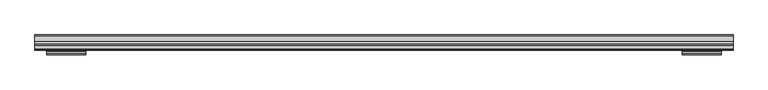
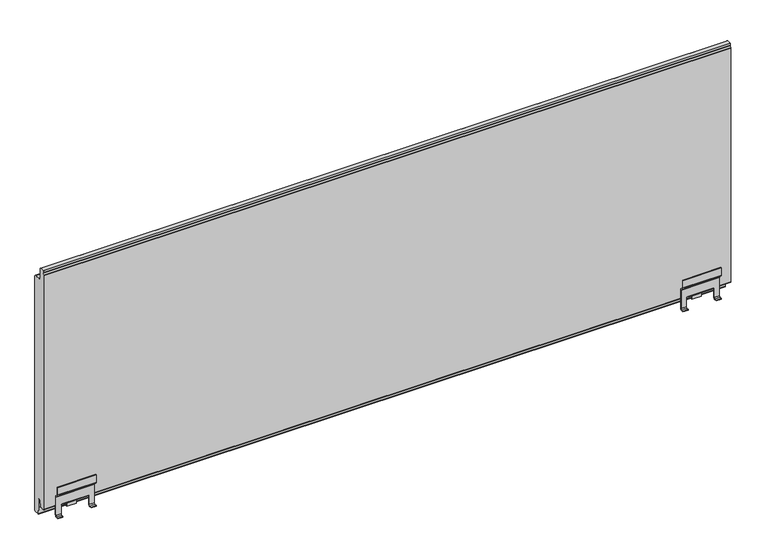
"""IFC4 building model written with IfcOpenShell, lengths in millimetres: plate geometry."""

from ifc_helpers import new_model, si_unit, point, frame, frame_2d, origin, place, context, project, spatial, polyline, circle_curve, trimmed, segment, composite_curve, outline, extrude, source, transform, mapped, element, save
from ifc_brep_helpers import plane_surface, cylinder_surface, revolved_surface, advanced_brep


def plate_dd24737f(model_context):
    return source(origin(), model_context, "Body", "SolidModel", [
        advanced_brep(
        [(649.0, 133.5713953, 63.0766942), (649.0, 132.0713953, 63.0766942), (649.0, 132.0713953, 48.0751213), (649.0, 133.0965215, 45.6002476), (649.0, 137.9856088, 40.7111603), (649.0, 138.5713953, 39.2969467), (649.0, 138.5713953, 1.7954343), (649.0, 136.5713953, -0.2045657), (649.0, 132.0714005, -0.2045657), (649.0, 132.0714005, -1.7045657), (649.0, 136.5713953, -1.7045657), (649.0, 140.0713953, 1.7954343), (649.0, 140.0713953, 39.2969467), (649.0, 139.046269, 41.7718205), (649.0, 134.1571817, 46.6609078), (649.0, 133.5713953, 48.0751213), (573.9999948, 133.5713953, 63.0766942), (573.9999948, 133.5713953, 48.0751213), (573.9999948, 134.1571817, 46.6609078), (573.9999948, 139.046269, 41.7718205), (573.9999948, 140.0713953, 39.2969467), (573.9999948, 140.0713953, 1.7954343), (573.9999948, 136.5713953, -1.7045657), (573.9999948, 132.0714005, -1.7045657), (573.9999948, 132.0714005, -0.2045657), (573.9999948, 136.5713953, -0.2045657), (573.9999948, 138.5713953, 1.7954343), (573.9999948, 138.5713953, 39.2969467), (573.9999948, 137.9856088, 40.7111603), (573.9999948, 133.0965215, 45.6002476), (573.9999948, 132.0713953, 48.0751213), (573.9999948, 132.0713953, 63.0766942), (583.9999948, 138.5713953, 1.7954343), (583.9999948, 138.5713953, 21.4949549), (585.4999948, 138.5713953, 21.4949549), (637.4999948, 138.5713953, 21.5), (638.9999948, 138.5713953, 21.4949549), (638.9999948, 138.5713953, 1.7954343), (638.9999948, 136.5713953, -0.2045657), (583.9999948, 136.5713953, -0.2045657), (638.9999948, 132.0714005, -0.2045657), (583.9999948, 132.0714005, -0.2045657), (638.9999948, 132.0714005, -1.7045657), (583.9999948, 132.0714005, -1.7045657), (638.9999948, 136.5713953, -1.7045657), (583.9999948, 136.5713953, -1.7045657), (638.9999948, 140.0713953, 1.7954343), (583.9999948, 140.0713953, 1.7954343), (638.9999948, 140.0713953, 21.4949549), (637.4999948, 140.0713953, 21.4949549), (585.4999948, 140.0713953, 21.5), (583.9999948, 140.0713953, 21.4949549), (637.4999948, 142.0713953, 19.5), (637.4999948, 140.0450794, 18.6462229), (637.4999948, 142.0713952, 18.0), (637.4999948, 150.578346, 18.0), (637.4999948, 152.3250869, 18.4670317), (637.4999948, 154.0666457, 21.1949549), (637.4999948, 155.3220849, 31.8238549), (637.4999948, 153.8331567, 32.0), (637.4999948, 152.5652325, 21.2653996), (637.4999948, 150.5790395, 19.5), (585.4999948, 142.0713953, 19.5), (585.4999948, 150.5790395, 19.5), (585.4999948, 152.5652325, 21.2653996), (585.4999948, 153.8331567, 32.0), (585.4999948, 155.3220849, 31.8238549), (585.4999948, 154.0666457, 21.1949549), (585.4999948, 152.3250869, 18.4670317), (585.4999948, 150.578346, 18.0), (585.4999948, 148.02155, 18.0), (585.4999948, 142.0713952, 18.0), (585.4999948, 140.0713953, 18.6277187), (601.9999948, 150.578346, 18.0), (620.9999948, 150.578346, 18.0), (601.9999948, 152.3250869, 18.4670317), (620.9999948, 152.3250869, 18.4670317), (620.9999948, 151.2714005, 3.0), (601.9999948, 151.2714005, 3.0), (620.9999948, 152.7679506, 2.8983251), (601.9999948, 152.7679506, 2.8983251), (620.9999948, 154.0666457, 21.1949549), (601.9999948, 154.0666457, 21.1949549), (601.9999948, 155.3220849, 31.8238549), (620.9999948, 155.3220849, 31.8238549)],
        [
            (0, 1),
            (1, 2),
            (2, 3, circle_curve(frame((649.0, 135.5713953, 48.0751213), z_axis=(1.0, 0.0, 0.0), x_axis=(0.0, 1.0, 0.0)), 3.5)),
            (3, 4),
            (4, 5, circle_curve(frame((649.0, 136.5713953, 39.2969467), z_axis=(-1.0, 0.0, 0.0), x_axis=(0.0, 1.0, 0.0)), 2.0)),
            (5, 6),
            (6, 7, circle_curve(frame((649.0, 136.5713953, 1.7954343), z_axis=(-1.0, 0.0, 0.0), x_axis=(0.0, 1.0, 0.0)), 2.0)),
            (7, 8),
            (8, 9),
            (9, 10),
            (10, 11, circle_curve(frame((649.0, 136.5713953, 1.7954343), z_axis=(1.0, 0.0, 0.0), x_axis=(0.0, 1.0, 0.0)), 3.5)),
            (11, 12),
            (12, 13, circle_curve(frame((649.0, 136.5713953, 39.2969467), z_axis=(1.0, 0.0, 0.0), x_axis=(0.0, 1.0, 0.0)), 3.5)),
            (13, 14),
            (14, 15, circle_curve(frame((649.0, 135.5713953, 48.0751213), z_axis=(-1.0, 0.0, 0.0), x_axis=(0.0, 1.0, 0.0)), 2.0)),
            (15, 0),
            (16, 17),
            (17, 18, circle_curve(frame((573.9999948, 135.5713953, 48.0751213), z_axis=(1.0, 0.0, 0.0), x_axis=(0.0, 1.0, 0.0)), 2.0)),
            (18, 19),
            (19, 20, circle_curve(frame((573.9999948, 136.5713953, 39.2969467), z_axis=(-1.0, 0.0, 0.0), x_axis=(0.0, 1.0, 0.0)), 3.5)),
            (20, 21),
            (21, 22, circle_curve(frame((573.9999948, 136.5713953, 1.7954343), z_axis=(-1.0, 0.0, 0.0), x_axis=(0.0, 1.0, 0.0)), 3.5)),
            (22, 23),
            (23, 24),
            (24, 25),
            (25, 26, circle_curve(frame((573.9999948, 136.5713953, 1.7954343), z_axis=(1.0, 0.0, 0.0), x_axis=(0.0, 1.0, 0.0)), 2.0)),
            (26, 27),
            (27, 28, circle_curve(frame((573.9999948, 136.5713953, 39.2969467), z_axis=(1.0, 0.0, 0.0), x_axis=(0.0, 1.0, 0.0)), 2.0)),
            (28, 29),
            (29, 30, circle_curve(frame((573.9999948, 135.5713953, 48.0751213), z_axis=(-1.0, 0.0, 0.0), x_axis=(0.0, 1.0, 0.0)), 3.5)),
            (30, 31),
            (31, 16),
            (0, 16),
            (31, 1),
            (30, 2),
            (29, 3),
            (28, 4),
            (27, 5),
            (26, 32),
            (32, 33),
            (33, 34),
            (34, 35),
            (35, 36),
            (36, 37),
            (37, 6),
            (37, 38, circle_curve(frame((638.9999948, 136.5713953, 1.7954343), z_axis=(-1.0, 0.0, 0.0), x_axis=(0.0, 1.0, 0.0)), 2.0)),
            (38, 7),
            (25, 39),
            (39, 32, circle_curve(frame((583.9999948, 136.5713953, 1.7954343), z_axis=(1.0, 0.0, 0.0), x_axis=(0.0, 1.0, 0.0)), 2.0)),
            (38, 40),
            (40, 8),
            (24, 41),
            (41, 39),
            (40, 42),
            (42, 9),
            (23, 43),
            (43, 41),
            (42, 44),
            (44, 10),
            (22, 45),
            (45, 43),
            (44, 46, circle_curve(frame((638.9999948, 136.5713953, 1.7954343), z_axis=(1.0, 0.0, 0.0), x_axis=(0.0, 1.0, 0.0)), 3.5)),
            (46, 11),
            (21, 47),
            (47, 45, circle_curve(frame((583.9999948, 136.5713953, 1.7954343), z_axis=(-1.0, 0.0, 0.0), x_axis=(0.0, 1.0, 0.0)), 3.5)),
            (46, 48),
            (48, 49),
            (49, 50),
            (50, 51),
            (51, 47),
            (20, 12),
            (19, 13),
            (18, 14),
            (17, 15),
            (36, 48),
            (51, 33),
            (35, 49),
            (50, 34),
            (52, 49, circle_curve(frame((637.4999948, 142.0713953, 21.5), z_axis=(-1.0, 0.0, 0.0), x_axis=(0.0, 1.0, 0.0)), 2.0)),
            (35, 53, circle_curve(frame((637.4999948, 142.0713953, 21.5), z_axis=(1.0, 0.0, 0.0), x_axis=(0.0, 1.0, 0.0)), 3.5)),
            (53, 54, circle_curve(frame((637.4999948, 142.0713952, 21.5), z_axis=(1.0, 0.0, 0.0), x_axis=(0.0, 1.0, 0.0)), 3.5)),
            (54, 55),
            (55, 56, circle_curve(frame((637.4999948, 150.578346, 21.5), z_axis=(1.0, 0.0, 0.0), x_axis=(0.0, 1.0, 0.0)), 3.5)),
            (56, 57, circle_curve(frame((637.4999948, 150.5735903, 21.5051049), z_axis=(1.0, 0.0, 0.0), x_axis=(0.0, 1.0, 0.0)), 3.5067975)),
            (57, 58),
            (58, 59),
            (59, 60),
            (60, 61, circle_curve(frame((637.4999948, 150.5790395, 21.5), z_axis=(-1.0, 0.0, 0.0), x_axis=(0.0, 1.0, 0.0)), 2.0)),
            (61, 52),
            (62, 63),
            (63, 64, circle_curve(frame((585.4999948, 150.5790395, 21.5), z_axis=(1.0, 0.0, 0.0), x_axis=(0.0, 1.0, 0.0)), 2.0)),
            (64, 65),
            (65, 66),
            (66, 67),
            (67, 68, circle_curve(frame((585.4999948, 150.5735903, 21.5051049), z_axis=(-1.0, 0.0, 0.0), x_axis=(0.0, 1.0, 0.0)), 3.5067975)),
            (68, 69, circle_curve(frame((585.4999948, 150.578346, 21.5), z_axis=(-1.0, 0.0, 0.0), x_axis=(0.0, 1.0, 0.0)), 3.5)),
            (69, 70),
            (70, 71),
            (71, 72, circle_curve(frame((585.4999948, 142.0713952, 21.5), z_axis=(-1.0, 0.0, 0.0), x_axis=(0.0, 1.0, 0.0)), 3.5)),
            (72, 34, circle_curve(frame((585.4999948, 142.0713953, 21.5), z_axis=(-1.0, 0.0, 0.0), x_axis=(0.0, 1.0, 0.0)), 3.5)),
            (50, 62, circle_curve(frame((585.4999948, 142.0713953, 21.5), z_axis=(1.0, 0.0, 0.0), x_axis=(0.0, 1.0, 0.0)), 2.0)),
            (52, 62),
            (72, 53),
            (71, 54),
            (69, 73),
            (73, 74),
            (74, 55),
            (68, 75),
            (75, 76),
            (76, 56),
            (77, 76),
            (75, 78),
            (78, 77),
            (79, 77),
            (78, 80),
            (80, 79),
            (81, 79),
            (80, 82),
            (82, 81),
            (57, 81),
            (82, 67),
            (66, 83),
            (83, 84),
            (84, 58),
            (65, 59),
            (64, 60),
            (63, 61),
            (81, 76, circle_curve(frame((620.9999948, 150.5735903, 21.5051049), z_axis=(-1.0, 0.0, 0.0), x_axis=(0.0, 1.0, 0.0)), 3.5067975)),
            (75, 82, circle_curve(frame((601.9999948, 150.5735903, 21.5051049), z_axis=(1.0, 0.0, 0.0), x_axis=(0.0, 1.0, 0.0)), 3.5067975)),
        ],
        [
            plane_surface(frame((649.0, 132.0713953, 63.7908685), z_axis=(1.0, 0.0, 0.0), x_axis=(0.0, 1.0, 0.0))),
            plane_surface(frame((573.9999948, 132.0713953, 63.7908685), z_axis=(-1.0, 0.0, 0.0), x_axis=(0.0, 1.0, 0.0))),
            plane_surface(frame((649.0, 133.5713953, 63.0766942), z_axis=(0.0, 0.0, 1.0), x_axis=(-1.0, 0.0, 0.0))),
            plane_surface(frame((649.0, 132.0713953, 63.0766942), z_axis=(0.0, -1.0, 0.0), x_axis=(-1.0, 0.0, 0.0))),
            cylinder_surface(frame((649.0, 135.5713953, 48.0751213), z_axis=(1.0, 0.0, 0.0), x_axis=(0.0, 1.0, 0.0)), 3.5),
            plane_surface(frame((649.0, 133.0965215, 45.6002476), z_axis=(0.0, -0.7071067811823375, -0.7071067811907575), x_axis=(-1.0, 0.0, 0.0))),
            revolved_surface(polyline([(573.9999948, 138.5713953, 39.2969467), (649.0, 138.5713953, 39.2969467)]), (649.0, 136.5713953, 39.2969467), (-1.0, 0.0, 0.0)),
            plane_surface(frame((649.0, 138.5713953, 39.2969467), z_axis=(0.0, -1.0, 0.0), x_axis=(-1.0, 0.0, 0.0))),
            revolved_surface(polyline([(638.9999948, 138.5713953, 1.7954343), (649.0, 138.5713953, 1.7954343)]), (649.0, 136.5713953, 1.7954343), (-1.0, 0.0, 0.0)),
            revolved_surface(polyline([(573.9999948, 138.5713953, 1.7954343), (583.9999948, 138.5713953, 1.7954343)]), (649.0, 136.5713953, 1.7954343), (-1.0, 0.0, 0.0)),
            plane_surface(frame((649.0, 136.5713953, -0.2045657), z_axis=(0.0, 0.0, 1.0), x_axis=(-1.0, 0.0, 0.0))),
            plane_surface(frame((649.0, 132.0714005, -0.2045657), z_axis=(0.0, -1.0, 0.0), x_axis=(-1.0, 0.0, 0.0))),
            plane_surface(frame((649.0, 132.0714005, -1.7045657), z_axis=(0.0, 0.0, -1.0), x_axis=(-1.0, 0.0, 0.0))),
            cylinder_surface(frame((649.0, 136.5713953, 1.7954343), z_axis=(1.0, 0.0, 0.0), x_axis=(0.0, 1.0, 0.0)), 3.5),
            plane_surface(frame((649.0, 140.0713953, 1.7954343), z_axis=(0.0, 1.0, 0.0), x_axis=(-1.0, 0.0, 0.0))),
            cylinder_surface(frame((649.0, 136.5713953, 39.2969467), z_axis=(1.0, 0.0, 0.0), x_axis=(0.0, 1.0, 0.0)), 3.5),
            plane_surface(frame((649.0, 139.046269, 41.7718205), z_axis=(0.0, 0.707106781190757, 0.707106781182338), x_axis=(-1.0, 0.0, 0.0))),
            revolved_surface(polyline([(573.9999948, 137.5713953, 48.0751213), (649.0, 137.5713953, 48.0751213)]), (649.0, 135.5713953, 48.0751213), (-1.0, 0.0, 0.0)),
            plane_surface(frame((649.0, 133.5713953, 48.0751213), z_axis=(0.0, 1.0, 0.0), x_axis=(-1.0, 0.0, 0.0))),
            plane_surface(frame((638.9999948, 140.0713953, 21.4949549), z_axis=(-1.0, 0.0, 0.0), x_axis=(0.0, -1.0, 0.0))),
            plane_surface(frame((583.9999948, 140.0713953, -2.7091315), z_axis=(1.0, 0.0, 0.0), x_axis=(0.0, -1.0, 0.0))),
            plane_surface(frame((583.9999948, 140.0713953, 21.4949549), z_axis=(0.0, 0.0, -1.0), x_axis=(0.0, -1.0, 0.0))),
            plane_surface(frame((637.4999948, 132.0713953, 32.4954343), z_axis=(1.0, 0.0, 0.0), x_axis=(0.0, 1.0, 0.0))),
            plane_surface(frame((585.4999948, 132.0713953, 32.4954343), z_axis=(-1.0, 0.0, 0.0), x_axis=(0.0, 1.0, 0.0))),
            revolved_surface(polyline([(585.4999948, 144.0713953, 21.5), (637.4999948, 144.0713953, 21.5)]), (637.4999948, 142.0713953, 21.5), (-1.0, 0.0, 0.0)),
            cylinder_surface(frame((637.4999948, 142.0713953, 21.5), z_axis=(1.0, 0.0, 0.0), x_axis=(0.0, 1.0, 0.0)), 3.5),
            cylinder_surface(frame((637.4999948, 142.0713952, 21.5), z_axis=(1.0, 0.0, 0.0), x_axis=(0.0, 1.0, 0.0)), 3.5),
            plane_surface(frame((637.4999948, 142.0713952, 18.0), z_axis=(0.0, 0.0, -1.0), x_axis=(-1.0, 0.0, 0.0))),
            cylinder_surface(frame((637.4999948, 150.578346, 21.5), z_axis=(1.0, 0.0, 0.0), x_axis=(0.0, 1.0, 0.0)), 3.5),
            plane_surface(frame((637.4999948, 152.3250869, 18.4670317), z_axis=(0.0, -0.9976875606869263, 0.06796713360566971), x_axis=(-1.0, 0.0, 0.0))),
            plane_surface(frame((637.4999948, 151.2714005, 3.0), z_axis=(0.0, -0.06778329456574599, -0.9977000676444867), x_axis=(-1.0, 0.0, 0.0))),
            plane_surface(frame((637.4999948, 152.7679506, 2.8983251), z_axis=(0.0, 0.9974903975436773, -0.07080188421332127), x_axis=(-1.0, 0.0, 0.0))),
            plane_surface(frame((637.4999948, 154.5718662, 25.4722938), z_axis=(0.0, 0.9930964999268389, -0.11730022094208546), x_axis=(-1.0, 0.0, 0.0))),
            plane_surface(frame((637.4999948, 155.3220849, 31.8238549), z_axis=(0.0, 0.11748400802588121, 0.9930747745553579), x_axis=(-1.0, 0.0, 0.0))),
            plane_surface(frame((637.4999948, 153.8331567, 32.0), z_axis=(0.0, -0.9930964999255651, 0.1173002209528698), x_axis=(-1.0, 0.0, 0.0))),
            revolved_surface(polyline([(585.4999948, 152.5790395, 21.5), (637.4999948, 152.5790395, 21.5)]), (637.4999948, 150.5790395, 21.5), (-1.0, 0.0, 0.0)),
            plane_surface(frame((637.4999948, 150.5790395, 19.5), z_axis=(0.0, 0.0, 1.0), x_axis=(-1.0, 0.0, 0.0))),
            plane_surface(frame((620.9999948, 154.0803878, 21.5051049), z_axis=(1.0, 0.0, 0.0), x_axis=(0.0, 0.0, 1.0))),
            cylinder_surface(frame((637.4999948, 150.5735903, 21.5051049), z_axis=(1.0, 0.0, 0.0), x_axis=(0.0, 1.0, 0.0)), 3.5067975),
            plane_surface(frame((601.9999948, 154.0803878, 21.5051049), z_axis=(-1.0, 0.0, 0.0), x_axis=(0.0, 0.0, -1.0))),
            cylinder_surface(frame((601.9999948, 150.5735903, 21.5051049), z_axis=(1.0, 0.0, 0.0), x_axis=(0.0, 1.0, 0.0)), 3.5067975),
        ],
        [
            (0, [[1, 2, 3, 4, 5, 6, 7, 8, 9, 10, 11, 12, 13, 14, 15, 16]]),
            (1, [[17, 18, 19, 20, 21, 22, 23, 24, 25, 26, 27, 28, 29, 30, 31, 32]]),
            (2, [[-1, 33, -32, 34]]),
            (3, [[-2, -34, -31, 35]]),
            (4, [[-3, -35, -30, 36]]),
            (5, [[-4, -36, -29, 37]]),
            (6, [[-5, -37, -28, 38]]),
            (7, [[-6, -38, -27, 39, 40, 41, 42, 43, 44, 45]]),
            (8, [[-7, -45, 46, 47]]),
            (9, [[-26, 48, 49, -39]]),
            (10, [[-8, -47, 50, 51]]),
            (10, [[-25, 52, 53, -48]]),
            (11, [[-9, -51, 54, 55]]),
            (11, [[-24, 56, 57, -52]]),
            (12, [[-10, -55, 58, 59]]),
            (12, [[-23, 60, 61, -56]]),
            (13, [[-11, -59, 62, 63]]),
            (13, [[-22, 64, 65, -60]]),
            (14, [[-12, -63, 66, 67, 68, 69, 70, -64, -21, 71]]),
            (15, [[-13, -71, -20, 72]]),
            (16, [[-14, -72, -19, 73]]),
            (17, [[-15, -73, -18, 74]]),
            (18, [[-16, -74, -17, -33]]),
            (19, [[75, -66, -62, -58, -54, -50, -46, -44]]),
            (20, [[76, -40, -49, -53, -57, -61, -65, -70]]),
            (21, [[-75, -43, 77, -67]]),
            (21, [[-76, -69, 78, -41]]),
            (22, [[79, -77, 80, 81, 82, 83, 84, 85, 86, 87, 88, 89]]),
            (23, [[90, 91, 92, 93, 94, 95, 96, 97, 98, 99, 100, -78, 101]]),
            (24, [[-79, 102, -101, -68]]),
            (25, [[-80, -42, -100, 103]]),
            (26, [[-81, -103, -99, 104]]),
            (27, [[-82, -104, -98, -97, 105, 106, 107]]),
            (28, [[-83, -107, -106, -105, -96, 108, 109, 110]]),
            (29, [[111, -109, 112, 113]]),
            (30, [[114, -113, 115, 116]]),
            (31, [[117, -116, 118, 119]]),
            (32, [[-85, 120, -119, 121, -94, 122, 123, 124]]),
            (33, [[-86, -124, -123, -122, -93, 125]]),
            (34, [[-87, -125, -92, 126]]),
            (35, [[-88, -126, -91, 127]]),
            (36, [[-89, -127, -90, -102]]),
            (37, [[128, -111, -114, -117]]),
            (38, [[-128, -120, -84, -110]]),
            (39, [[129, -118, -115, -112]]),
            (40, [[-129, -108, -95, -121]]),
        ],
    ),
        advanced_brep(
        [(-649.0, 133.5713953, 63.0766942), (-649.0, 133.5713953, 48.0751213), (-649.0, 134.1571817, 46.6609078), (-649.0, 139.046269, 41.7718205), (-649.0, 140.0713953, 39.2969467), (-649.0, 140.0713953, 1.7954343), (-649.0, 136.5713953, -1.7045657), (-649.0, 132.0714005, -1.7045657), (-649.0, 132.0714005, -0.2045657), (-649.0, 136.5713953, -0.2045657), (-649.0, 138.5713953, 1.7954343), (-649.0, 138.5713953, 39.2969467), (-649.0, 137.9856088, 40.7111603), (-649.0, 133.0965215, 45.6002476), (-649.0, 132.0713953, 48.0751213), (-649.0, 132.0713953, 63.0766942), (-573.9999948, 133.5713953, 63.0766942), (-573.9999948, 132.0713953, 63.0766942), (-573.9999948, 132.0713953, 48.0751213), (-573.9999948, 133.0965215, 45.6002476), (-573.9999948, 137.9856088, 40.7111603), (-573.9999948, 138.5713953, 39.2969467), (-573.9999948, 138.5713953, 1.7954343), (-573.9999948, 136.5713953, -0.2045657), (-573.9999948, 132.0714005, -0.2045657), (-573.9999948, 132.0714005, -1.7045657), (-573.9999948, 136.5713953, -1.7045657), (-573.9999948, 140.0713953, 1.7954343), (-573.9999948, 140.0713953, 39.2969467), (-573.9999948, 139.046269, 41.7718205), (-573.9999948, 134.1571817, 46.6609078), (-573.9999948, 133.5713953, 48.0751213), (-638.9999948, 138.5713953, 1.7954343), (-638.9999948, 138.5713953, 21.4949549), (-637.4999948, 138.5713953, 21.4949549), (-585.4999948, 138.5713953, 21.5), (-583.9999948, 138.5713953, 21.4949549), (-583.9999948, 138.5713953, 1.7954343), (-583.9999948, 136.5713953, -0.2045657), (-638.9999948, 136.5713953, -0.2045657), (-583.9999948, 132.0714005, -0.2045657), (-638.9999948, 132.0714005, -0.2045657), (-583.9999948, 132.0714005, -1.7045657), (-638.9999948, 132.0714005, -1.7045657), (-583.9999948, 136.5713953, -1.7045657), (-638.9999948, 136.5713953, -1.7045657), (-583.9999948, 140.0713953, 1.7954343), (-638.9999948, 140.0713953, 1.7954343), (-583.9999948, 140.0713953, 21.4949549), (-585.4999948, 140.0713953, 21.4949549), (-637.4999948, 140.0713953, 21.5), (-638.9999948, 140.0713953, 21.4949549), (-637.4999948, 142.0713953, 19.5), (-637.4999948, 150.5790395, 19.5), (-637.4999948, 152.5652325, 21.2653996), (-637.4999948, 153.8331567, 32.0), (-637.4999948, 155.3220849, 31.8238549), (-637.4999948, 154.0666457, 21.1949549), (-637.4999948, 152.3250869, 18.4670317), (-637.4999948, 150.578346, 18.0), (-637.4999948, 142.0713952, 18.0), (-637.4999948, 140.0713953, 18.6277187), (-585.4999948, 142.0713953, 19.5), (-585.4999948, 140.0450794, 18.6462229), (-585.4999948, 142.0713952, 18.0), (-585.4999948, 148.02155, 18.0), (-585.4999948, 150.578346, 18.0), (-585.4999948, 152.3250869, 18.4670317), (-585.4999948, 154.0666457, 21.1949549), (-585.4999948, 155.3220849, 31.8238549), (-585.4999948, 153.8331567, 32.0), (-585.4999948, 152.5652325, 21.2653996), (-585.4999948, 150.5790395, 19.5), (-620.9999948, 150.578346, 18.0), (-601.9999948, 150.578346, 18.0), (-620.9999948, 152.3250869, 18.4670317), (-601.9999948, 152.3250869, 18.4670317), (-620.9999948, 151.2714005, 3.0), (-601.9999948, 151.2714005, 3.0), (-620.9999948, 152.7679506, 2.8983251), (-601.9999948, 152.7679506, 2.8983251), (-620.9999948, 154.0666457, 21.1949549), (-601.9999948, 154.0666457, 21.1949549), (-620.9999948, 155.3220849, 31.8238549), (-601.9999948, 155.3220849, 31.8238549)],
        [
            (0, 1),
            (1, 2, circle_curve(frame((-649.0, 135.5713953, 48.0751213), z_axis=(1.0, 0.0, 0.0), x_axis=(0.0, 1.0, 0.0)), 2.0)),
            (2, 3),
            (3, 4, circle_curve(frame((-649.0, 136.5713953, 39.2969467), z_axis=(-1.0, 0.0, 0.0), x_axis=(0.0, 1.0, 0.0)), 3.5)),
            (4, 5),
            (5, 6, circle_curve(frame((-649.0, 136.5713953, 1.7954343), z_axis=(-1.0, 0.0, 0.0), x_axis=(0.0, 1.0, 0.0)), 3.5)),
            (6, 7),
            (7, 8),
            (8, 9),
            (9, 10, circle_curve(frame((-649.0, 136.5713953, 1.7954343), z_axis=(1.0, 0.0, 0.0), x_axis=(0.0, 1.0, 0.0)), 2.0)),
            (10, 11),
            (11, 12, circle_curve(frame((-649.0, 136.5713953, 39.2969467), z_axis=(1.0, 0.0, 0.0), x_axis=(0.0, 1.0, 0.0)), 2.0)),
            (12, 13),
            (13, 14, circle_curve(frame((-649.0, 135.5713953, 48.0751213), z_axis=(-1.0, 0.0, 0.0), x_axis=(0.0, 1.0, 0.0)), 3.5)),
            (14, 15),
            (15, 0),
            (16, 17),
            (17, 18),
            (18, 19, circle_curve(frame((-573.9999948, 135.5713953, 48.0751213), z_axis=(1.0, 0.0, 0.0), x_axis=(0.0, 1.0, 0.0)), 3.5)),
            (19, 20),
            (20, 21, circle_curve(frame((-573.9999948, 136.5713953, 39.2969467), z_axis=(-1.0, 0.0, 0.0), x_axis=(0.0, 1.0, 0.0)), 2.0)),
            (21, 22),
            (22, 23, circle_curve(frame((-573.9999948, 136.5713953, 1.7954343), z_axis=(-1.0, 0.0, 0.0), x_axis=(0.0, 1.0, 0.0)), 2.0)),
            (23, 24),
            (24, 25),
            (25, 26),
            (26, 27, circle_curve(frame((-573.9999948, 136.5713953, 1.7954343), z_axis=(1.0, 0.0, 0.0), x_axis=(0.0, 1.0, 0.0)), 3.5)),
            (27, 28),
            (28, 29, circle_curve(frame((-573.9999948, 136.5713953, 39.2969467), z_axis=(1.0, 0.0, 0.0), x_axis=(0.0, 1.0, 0.0)), 3.5)),
            (29, 30),
            (30, 31, circle_curve(frame((-573.9999948, 135.5713953, 48.0751213), z_axis=(-1.0, 0.0, 0.0), x_axis=(0.0, 1.0, 0.0)), 2.0)),
            (31, 16),
            (15, 17),
            (16, 0),
            (14, 18),
            (13, 19),
            (12, 20),
            (11, 21),
            (10, 32),
            (32, 33),
            (33, 34),
            (34, 35),
            (35, 36),
            (36, 37),
            (37, 22),
            (37, 38, circle_curve(frame((-583.9999948, 136.5713953, 1.7954343), z_axis=(-1.0, 0.0, 0.0), x_axis=(0.0, 1.0, 0.0)), 2.0)),
            (38, 23),
            (9, 39),
            (39, 32, circle_curve(frame((-638.9999948, 136.5713953, 1.7954343), z_axis=(1.0, 0.0, 0.0), x_axis=(0.0, 1.0, 0.0)), 2.0)),
            (38, 40),
            (40, 24),
            (8, 41),
            (41, 39),
            (40, 42),
            (42, 25),
            (7, 43),
            (43, 41),
            (42, 44),
            (44, 26),
            (6, 45),
            (45, 43),
            (44, 46, circle_curve(frame((-583.9999948, 136.5713953, 1.7954343), z_axis=(1.0, 0.0, 0.0), x_axis=(0.0, 1.0, 0.0)), 3.5)),
            (46, 27),
            (5, 47),
            (47, 45, circle_curve(frame((-638.9999948, 136.5713953, 1.7954343), z_axis=(-1.0, 0.0, 0.0), x_axis=(0.0, 1.0, 0.0)), 3.5)),
            (4, 28),
            (46, 48),
            (48, 49),
            (49, 50),
            (50, 51),
            (51, 47),
            (3, 29),
            (2, 30),
            (1, 31),
            (51, 33),
            (36, 48),
            (35, 49),
            (50, 34),
            (52, 53),
            (53, 54, circle_curve(frame((-637.4999948, 150.5790395, 21.5), z_axis=(1.0, 0.0, 0.0), x_axis=(0.0, 1.0, 0.0)), 2.0)),
            (54, 55),
            (55, 56),
            (56, 57),
            (57, 58, circle_curve(frame((-637.4999948, 150.5735903, 21.5051049), z_axis=(-1.0, 0.0, 0.0), x_axis=(0.0, 1.0, 0.0)), 3.5067975)),
            (58, 59, circle_curve(frame((-637.4999948, 150.578346, 21.5), z_axis=(-1.0, 0.0, 0.0), x_axis=(0.0, 1.0, 0.0)), 3.5)),
            (59, 60),
            (60, 61, circle_curve(frame((-637.4999948, 142.0713952, 21.5), z_axis=(-1.0, 0.0, 0.0), x_axis=(0.0, 1.0, 0.0)), 3.5)),
            (61, 34, circle_curve(frame((-637.4999948, 142.0713953, 21.5), z_axis=(-1.0, 0.0, 0.0), x_axis=(0.0, 1.0, 0.0)), 3.5)),
            (50, 52, circle_curve(frame((-637.4999948, 142.0713953, 21.5), z_axis=(1.0, 0.0, 0.0), x_axis=(0.0, 1.0, 0.0)), 2.0)),
            (62, 49, circle_curve(frame((-585.4999948, 142.0713953, 21.5), z_axis=(-1.0, 0.0, 0.0), x_axis=(0.0, 1.0, 0.0)), 2.0)),
            (35, 63, circle_curve(frame((-585.4999948, 142.0713953, 21.5), z_axis=(1.0, 0.0, 0.0), x_axis=(0.0, 1.0, 0.0)), 3.5)),
            (63, 64, circle_curve(frame((-585.4999948, 142.0713952, 21.5), z_axis=(1.0, 0.0, 0.0), x_axis=(0.0, 1.0, 0.0)), 3.5)),
            (64, 65),
            (65, 66),
            (66, 67, circle_curve(frame((-585.4999948, 150.578346, 21.5), z_axis=(1.0, 0.0, 0.0), x_axis=(0.0, 1.0, 0.0)), 3.5)),
            (67, 68, circle_curve(frame((-585.4999948, 150.5735903, 21.5051049), z_axis=(1.0, 0.0, 0.0), x_axis=(0.0, 1.0, 0.0)), 3.5067975)),
            (68, 69),
            (69, 70),
            (70, 71),
            (71, 72, circle_curve(frame((-585.4999948, 150.5790395, 21.5), z_axis=(-1.0, 0.0, 0.0), x_axis=(0.0, 1.0, 0.0)), 2.0)),
            (72, 62),
            (62, 52),
            (61, 63),
            (60, 64),
            (59, 73),
            (73, 74),
            (74, 66),
            (58, 75),
            (75, 76),
            (76, 67),
            (77, 78),
            (78, 76),
            (75, 77),
            (79, 80),
            (80, 78),
            (77, 79),
            (81, 82),
            (82, 80),
            (79, 81),
            (56, 83),
            (83, 84),
            (84, 69),
            (68, 82),
            (81, 57),
            (55, 70),
            (54, 71),
            (53, 72),
            (75, 81, circle_curve(frame((-620.9999948, 150.5735903, 21.5051049), z_axis=(1.0, 0.0, 0.0), x_axis=(0.0, 1.0, 0.0)), 3.5067975)),
            (82, 76, circle_curve(frame((-601.9999948, 150.5735903, 21.5051049), z_axis=(-1.0, 0.0, 0.0), x_axis=(0.0, 1.0, 0.0)), 3.5067975)),
        ],
        [
            plane_surface(frame((-649.0, 132.0713953, 63.7908685), z_axis=(-1.0, 0.0, 0.0), x_axis=(0.0, 1.0, 0.0))),
            plane_surface(frame((-573.9999948, 132.0713953, 63.7908685), z_axis=(1.0, 0.0, 0.0), x_axis=(0.0, 1.0, 0.0))),
            plane_surface(frame((-649.0, 133.5713953, 63.0766942), z_axis=(0.0, 0.0, 1.0), x_axis=(1.0, 0.0, 0.0))),
            plane_surface(frame((-649.0, 132.0713953, 63.0766942), z_axis=(0.0, -1.0, 0.0), x_axis=(1.0, 0.0, 0.0))),
            cylinder_surface(frame((-649.0, 135.5713953, 48.0751213), z_axis=(-1.0, 0.0, 0.0), x_axis=(0.0, 1.0, 0.0)), 3.5),
            plane_surface(frame((-649.0, 133.0965215, 45.6002476), z_axis=(0.0, -0.7071067811823375, -0.7071067811907575), x_axis=(1.0, 0.0, 0.0))),
            revolved_surface(polyline([(-573.9999948, 138.5713953, 39.2969467), (-649.0, 138.5713953, 39.2969467)]), (-649.0, 136.5713953, 39.2969467), (1.0, 0.0, 0.0)),
            plane_surface(frame((-649.0, 138.5713953, 39.2969467), z_axis=(0.0, -1.0, 0.0), x_axis=(1.0, 0.0, 0.0))),
            revolved_surface(polyline([(-573.9999948, 138.5713953, 1.7954343), (-583.9999948, 138.5713953, 1.7954343)]), (-649.0, 136.5713953, 1.7954343), (1.0, 0.0, 0.0)),
            revolved_surface(polyline([(-638.9999948, 138.5713953, 1.7954343), (-649.0, 138.5713953, 1.7954343)]), (-649.0, 136.5713953, 1.7954343), (1.0, 0.0, 0.0)),
            plane_surface(frame((-649.0, 136.5713953, -0.2045657), z_axis=(0.0, 0.0, 1.0), x_axis=(1.0, 0.0, 0.0))),
            plane_surface(frame((-649.0, 132.0714005, -0.2045657), z_axis=(0.0, -1.0, 0.0), x_axis=(1.0, 0.0, 0.0))),
            plane_surface(frame((-649.0, 132.0714005, -1.7045657), z_axis=(0.0, 0.0, -1.0), x_axis=(1.0, 0.0, 0.0))),
            cylinder_surface(frame((-649.0, 136.5713953, 1.7954343), z_axis=(-1.0, 0.0, 0.0), x_axis=(0.0, 1.0, 0.0)), 3.5),
            plane_surface(frame((-649.0, 140.0713953, 1.7954343), z_axis=(0.0, 1.0, 0.0), x_axis=(1.0, 0.0, 0.0))),
            cylinder_surface(frame((-649.0, 136.5713953, 39.2969467), z_axis=(-1.0, 0.0, 0.0), x_axis=(0.0, 1.0, 0.0)), 3.5),
            plane_surface(frame((-649.0, 139.046269, 41.7718205), z_axis=(0.0, 0.707106781190757, 0.707106781182338), x_axis=(1.0, 0.0, 0.0))),
            revolved_surface(polyline([(-573.9999948, 137.5713953, 48.0751213), (-649.0, 137.5713953, 48.0751213)]), (-649.0, 135.5713953, 48.0751213), (1.0, 0.0, 0.0)),
            plane_surface(frame((-649.0, 133.5713953, 48.0751213), z_axis=(0.0, 1.0, 0.0), x_axis=(1.0, 0.0, 0.0))),
            plane_surface(frame((-638.9999948, 140.0713953, 21.4949549), z_axis=(1.0, 0.0, 0.0), x_axis=(0.0, -1.0, 0.0))),
            plane_surface(frame((-583.9999948, 140.0713953, -2.7091315), z_axis=(-1.0, 0.0, 0.0), x_axis=(0.0, -1.0, 0.0))),
            plane_surface(frame((-583.9999948, 140.0713953, 21.4949549), z_axis=(0.0, 0.0, -1.0), x_axis=(0.0, -1.0, 0.0))),
            plane_surface(frame((-637.4999948, 132.0713953, 32.4954343), z_axis=(-1.0, 0.0, 0.0), x_axis=(0.0, 1.0, 0.0))),
            plane_surface(frame((-585.4999948, 132.0713953, 32.4954343), z_axis=(1.0, 0.0, 0.0), x_axis=(0.0, 1.0, 0.0))),
            revolved_surface(polyline([(-585.4999948, 144.0713953, 21.5), (-637.4999948, 144.0713953, 21.5)]), (-637.4999948, 142.0713953, 21.5), (1.0, 0.0, 0.0)),
            cylinder_surface(frame((-637.4999948, 142.0713953, 21.5), z_axis=(-1.0, 0.0, 0.0), x_axis=(0.0, 1.0, 0.0)), 3.5),
            cylinder_surface(frame((-637.4999948, 142.0713952, 21.5), z_axis=(-1.0, 0.0, 0.0), x_axis=(0.0, 1.0, 0.0)), 3.5),
            plane_surface(frame((-637.4999948, 142.0713952, 18.0), z_axis=(0.0, 0.0, -1.0), x_axis=(1.0, 0.0, 0.0))),
            cylinder_surface(frame((-637.4999948, 150.578346, 21.5), z_axis=(-1.0, 0.0, 0.0), x_axis=(0.0, 1.0, 0.0)), 3.5),
            plane_surface(frame((-637.4999948, 152.3250869, 18.4670317), z_axis=(0.0, -0.9976875606869263, 0.06796713360566971), x_axis=(1.0, 0.0, 0.0))),
            plane_surface(frame((-637.4999948, 151.2714005, 3.0), z_axis=(0.0, -0.06778329456574599, -0.9977000676444867), x_axis=(1.0, 0.0, 0.0))),
            plane_surface(frame((-637.4999948, 152.7679506, 2.8983251), z_axis=(0.0, 0.9974903975436773, -0.07080188421332127), x_axis=(1.0, 0.0, 0.0))),
            plane_surface(frame((-637.4999948, 154.5718662, 25.4722938), z_axis=(0.0, 0.9930964999268389, -0.11730022094208546), x_axis=(1.0, 0.0, 0.0))),
            plane_surface(frame((-637.4999948, 155.3220849, 31.8238549), z_axis=(0.0, 0.11748400802588121, 0.9930747745553579), x_axis=(1.0, 0.0, 0.0))),
            plane_surface(frame((-637.4999948, 153.8331567, 32.0), z_axis=(0.0, -0.9930964999255651, 0.1173002209528698), x_axis=(1.0, 0.0, 0.0))),
            revolved_surface(polyline([(-585.4999948, 152.5790395, 21.5), (-637.4999948, 152.5790395, 21.5)]), (-637.4999948, 150.5790395, 21.5), (1.0, 0.0, 0.0)),
            plane_surface(frame((-637.4999948, 150.5790395, 19.5), z_axis=(0.0, 0.0, 1.0), x_axis=(1.0, 0.0, 0.0))),
            plane_surface(frame((-620.9999948, 154.0803878, 21.5051049), z_axis=(-1.0, 0.0, 0.0), x_axis=(0.0, 0.0, 1.0))),
            cylinder_surface(frame((-637.4999948, 150.5735903, 21.5051049), z_axis=(-1.0, 0.0, 0.0), x_axis=(0.0, 1.0, 0.0)), 3.5067975),
            plane_surface(frame((-601.9999948, 154.0803878, 21.5051049), z_axis=(1.0, 0.0, 0.0), x_axis=(0.0, 0.0, -1.0))),
            cylinder_surface(frame((-601.9999948, 150.5735903, 21.5051049), z_axis=(-1.0, 0.0, 0.0), x_axis=(0.0, 1.0, 0.0)), 3.5067975),
        ],
        [
            (0, [[1, 2, 3, 4, 5, 6, 7, 8, 9, 10, 11, 12, 13, 14, 15, 16]]),
            (1, [[17, 18, 19, 20, 21, 22, 23, 24, 25, 26, 27, 28, 29, 30, 31, 32]]),
            (2, [[33, -17, 34, -16]]),
            (3, [[35, -18, -33, -15]]),
            (4, [[36, -19, -35, -14]]),
            (5, [[37, -20, -36, -13]]),
            (6, [[38, -21, -37, -12]]),
            (7, [[39, 40, 41, 42, 43, 44, 45, -22, -38, -11]]),
            (8, [[-45, 46, 47, -23]]),
            (9, [[48, 49, -39, -10]]),
            (10, [[-47, 50, 51, -24]]),
            (10, [[52, 53, -48, -9]]),
            (11, [[-51, 54, 55, -25]]),
            (11, [[56, 57, -52, -8]]),
            (12, [[-55, 58, 59, -26]]),
            (12, [[60, 61, -56, -7]]),
            (13, [[-59, 62, 63, -27]]),
            (13, [[64, 65, -60, -6]]),
            (14, [[66, -28, -63, 67, 68, 69, 70, 71, -64, -5]]),
            (15, [[72, -29, -66, -4]]),
            (16, [[73, -30, -72, -3]]),
            (17, [[74, -31, -73, -2]]),
            (18, [[-34, -32, -74, -1]]),
            (19, [[-40, -49, -53, -57, -61, -65, -71, 75]]),
            (20, [[-67, -62, -58, -54, -50, -46, -44, 76]]),
            (21, [[-43, 77, -68, -76]]),
            (21, [[-70, 78, -41, -75]]),
            (22, [[79, 80, 81, 82, 83, 84, 85, 86, 87, 88, -78, 89]]),
            (23, [[90, -77, 91, 92, 93, 94, 95, 96, 97, 98, 99, 100, 101]]),
            (24, [[-69, -90, 102, -89]]),
            (25, [[103, -91, -42, -88]]),
            (26, [[104, -92, -103, -87]]),
            (27, [[105, 106, 107, -94, -93, -104, -86]]),
            (28, [[108, 109, 110, -95, -107, -106, -105, -85]]),
            (29, [[111, 112, -109, 113]]),
            (30, [[114, 115, -111, 116]]),
            (31, [[117, 118, -114, 119]]),
            (32, [[120, 121, 122, -97, 123, -117, 124, -83]]),
            (33, [[125, -98, -122, -121, -120, -82]]),
            (34, [[126, -99, -125, -81]]),
            (35, [[127, -100, -126, -80]]),
            (36, [[-102, -101, -127, -79]]),
            (37, [[-119, -116, -113, 128]]),
            (38, [[-108, -84, -124, -128]]),
            (39, [[-112, -115, -118, 129]]),
            (40, [[-123, -96, -110, -129]]),
        ],
    ),
        extrude(outline(composite_curve([segment(polyline([(140.0, 21.5), (140.0, 504.0777409)]), True, "CONTINUOUS"), segment(trimmed(circle_curve(frame_2d((142.5000998, 504.0777409)), 2.5000998), [point((140.0, 504.0777409))], [point((140.1788154, 505.0062547))], False, "CARTESIAN"), True, "CONTINUOUS"), segment(polyline([(140.1788154, 505.0062547), (141.5240269, 508.3692833)]), True, "CONTINUOUS"), segment(trimmed(circle_curve(frame_2d((139.2027425, 509.2977971)), 2.5000998), [point((141.5240269, 508.3692833))], [point((141.7028423, 509.2977971))], True, "CARTESIAN"), True, "CONTINUOUS"), segment(polyline([(141.7028423, 509.2977971), (141.7028423, 513.3165214)]), True, "CONTINUOUS"), segment(trimmed(circle_curve(frame_2d((142.2028423, 513.3165214)), 0.5), [point((141.7028423, 513.3165214))], [point((142.2028423, 513.8165214))], False, "CARTESIAN"), True, "CONTINUOUS"), segment(polyline([(142.2028423, 513.8165214), (149.5003792, 513.8165214)]), True, "CONTINUOUS"), segment(trimmed(circle_curve(frame_2d((149.5003792, 511.3164216)), 2.5000998), [point((149.5003792, 513.8165214))], [point((152.000479, 511.3164216))], False, "CARTESIAN"), True, "CONTINUOUS"), segment(polyline([(152.000479, 511.3164216), (152.000479, 493.8859869)]), True, "CONTINUOUS"), segment(trimmed(circle_curve(frame_2d((157.0006786, 493.8859869)), 5.0001996), [point((152.000479, 493.8859869))], [point((156.4568352, 488.9154507))], True, "CARTESIAN"), True, "CONTINUOUS"), segment(polyline([(156.4568352, 488.9154507), (167.6297631, 488.0170804)]), True, "CONTINUOUS"), segment(trimmed(circle_curve(frame_2d((167.5010977, 485.5202936)), 2.5000998), [point((167.6297631, 488.0170804))], [point((170.0, 485.442923))], False, "CARTESIAN"), True, "CONTINUOUS"), segment(polyline([(170.0, 485.442923), (170.0, 2.5)]), True, "CONTINUOUS"), segment(trimmed(circle_curve(frame_2d((167.5, 2.5)), 2.5), [point((170.0, 2.5))], [point((167.5, 0.0))], False, "CARTESIAN"), True, "CONTINUOUS"), segment(polyline([(167.5, 0.0), (159.5000998, 0.0)]), True, "CONTINUOUS"), segment(trimmed(circle_curve(frame_2d((159.5000998, 1.3125167)), 1.3125167), [point((159.5000998, 0.0))], [point((158.4471688, 0.5289119))], False, "CARTESIAN"), True, "CONTINUOUS"), segment(polyline([(158.4471688, 0.5289119), (157.0, 15.0), (157.0, 31.5)]), True, "CONTINUOUS"), segment(trimmed(circle_curve(frame_2d((154.5, 31.5)), 2.5), [point((157.0, 31.5))], [point((152.0836431, 32.141264))], True, "CARTESIAN"), True, "CONTINUOUS"), segment(polyline([(152.0836431, 32.141264), (150.6703466, 21.3059912)]), True, "CONTINUOUS"), segment(trimmed(circle_curve(frame_2d((149.182946, 21.5)), 1.5), [point((150.6703466, 21.3059912))], [point((149.182946, 20.0))], False, "CARTESIAN"), True, "CONTINUOUS"), segment(polyline([(149.182946, 20.0), (141.5, 20.0)]), True, "CONTINUOUS"), segment(trimmed(circle_curve(frame_2d((141.5, 21.5)), 1.5), [point((141.5, 20.0))], [point((140.0, 21.5))], False, "CARTESIAN"), True, "CONTINUOUS")], self_intersect=False)), frame((-672.0, 0.0, 0.0), z_axis=(1.0, 0.0, 0.0), x_axis=(0.0, 1.0, 0.0)), (0.0, 0.0, 1.0), 1344.0),
    ])


if __name__ == "__main__":
    model = new_model("IFC4")
    model_context = context("Model", 3, world=origin())
    ifc_project = project(units=[si_unit("LENGTHUNIT", "METRE", prefix="MILLI")], contexts=[model_context])
    site = spatial("IfcSite", under=ifc_project)
    building = spatial("IfcBuilding", under=site)
    placement = place(None, origin())
    plate_shape = plate_dd24737f(model_context)
    element("IfcPlate", 1, at=placement, inside=building, context=model_context, shape_type="MappedRepresentation", body=[
        mapped(plate_shape, transform((0.0, 0.0, 0.0), x_axis=(1.0, 0.0, 0.0), y_axis=(0.0, 1.0, 0.0), z_axis=(0.0, 0.0, 1.0))),
    ])
    save(model, "model.ifc")
